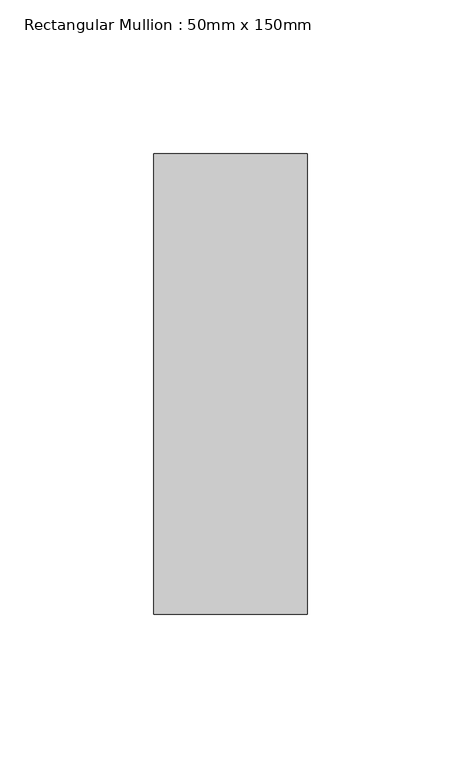
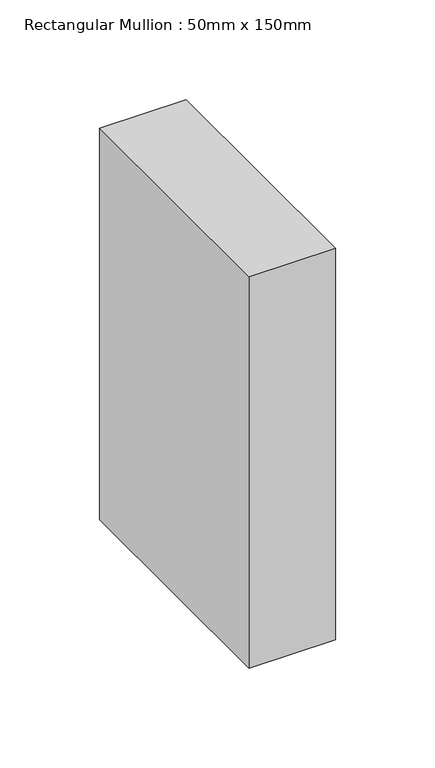
"""IFC4 building model written with IfcOpenShell, lengths in millimetres: member geometry, Rectangular Mullion : 50mm x 150mm."""

from ifc_helpers import new_model, si_unit, frame, origin, place, context, project, spatial, polyline, outline, extrude, source, transform, mapped, element, save


def rectangular_mullion_50mm_x_150mm_cc02fd69(model_context):
    return source(origin(), model_context, "Body", "SweptSolid", [
        extrude(outline(polyline([(0.0, 75.0), (0.0, -75.0), (-50.0, -75.0), (-50.0, 75.0), (0.0, 75.0)])), frame((0.0, 0.0, -239.6445799), z_axis=(0.0, 0.0, 1.0), x_axis=(1.0, 0.0, 0.0)), (0.0, 0.0, 1.0), 239.6445799),
    ])


if __name__ == "__main__":
    model = new_model("IFC4")
    model_context = context("Model", 3, world=origin())
    ifc_project = project(units=[si_unit("LENGTHUNIT", "METRE", prefix="MILLI")], contexts=[model_context])
    site = spatial("IfcSite", under=ifc_project)
    building = spatial("IfcBuilding", under=site)
    placement = place(None, origin())
    rectangular_mullion_50mm_x_150mm_shape = rectangular_mullion_50mm_x_150mm_cc02fd69(model_context)
    element("IfcMember", 1, ObjectType="Rectangular Mullion : 50mm x 150mm", at=placement, inside=building, context=model_context, shape_type="MappedRepresentation", body=[
        mapped(rectangular_mullion_50mm_x_150mm_shape, transform((0.0, 0.0, 0.0), x_axis=(1.0, 0.0, 0.0), y_axis=(0.0, 1.0, 0.0), z_axis=(0.0, 0.0, 1.0))),
    ])
    save(model, "model.ifc")
